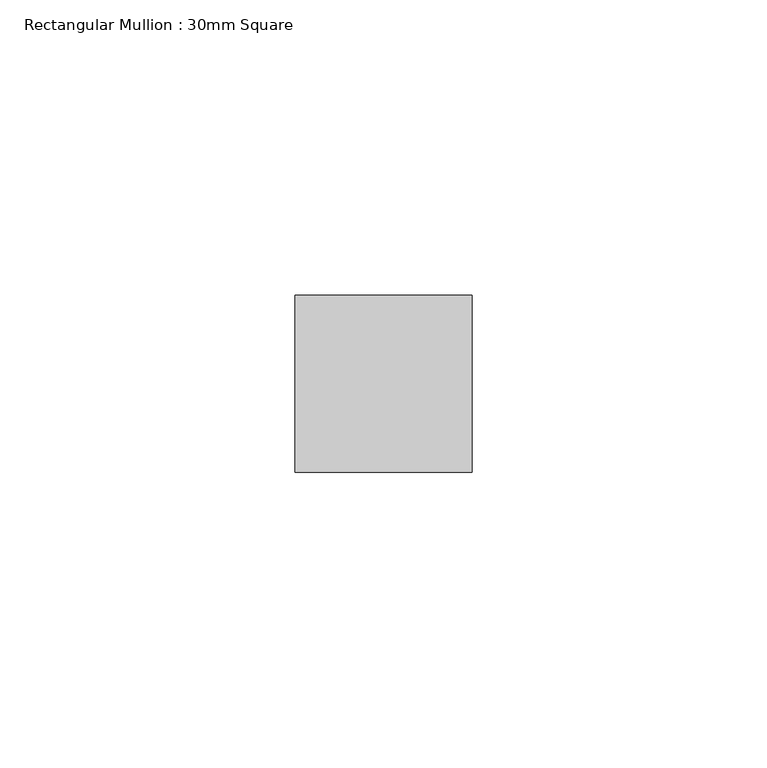
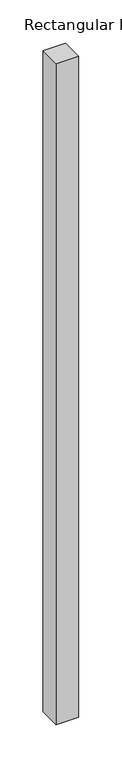
"""IFC4 building model written with IfcOpenShell, lengths in millimetres: member geometry, Rectangular Mullion : 30mm Square."""

from ifc_helpers import new_model, si_unit, frame, origin, place, context, project, spatial, polyline, outline, extrude, source, transform, mapped, element, save


def rectangular_mullion_30mm_square_8a7e3c26(model_context):
    return source(origin(), model_context, "Body", "SweptSolid", [
        extrude(outline(polyline([(15.0, 15.0), (15.0, -15.0), (-15.0, -15.0), (-15.0, 15.0), (15.0, 15.0)])), frame((0.0, 0.0, -929.8624938), z_axis=(0.0, 0.0, 1.0), x_axis=(1.0, 0.0, 0.0)), (0.0, 0.0, 1.0), 929.8624938),
    ])


if __name__ == "__main__":
    model = new_model("IFC4")
    model_context = context("Model", 3, world=origin())
    ifc_project = project(units=[si_unit("LENGTHUNIT", "METRE", prefix="MILLI")], contexts=[model_context])
    site = spatial("IfcSite", under=ifc_project)
    building = spatial("IfcBuilding", under=site)
    placement = place(None, origin())
    rectangular_mullion_30mm_square_shape = rectangular_mullion_30mm_square_8a7e3c26(model_context)
    element("IfcMember", 1, ObjectType="Rectangular Mullion : 30mm Square", at=placement, inside=building, context=model_context, shape_type="MappedRepresentation", body=[
        mapped(rectangular_mullion_30mm_square_shape, transform((0.0, 0.0, 0.0), x_axis=(1.0, 0.0, 0.0), y_axis=(0.0, 1.0, 0.0), z_axis=(0.0, 0.0, 1.0))),
    ])
    save(model, "model.ifc")
